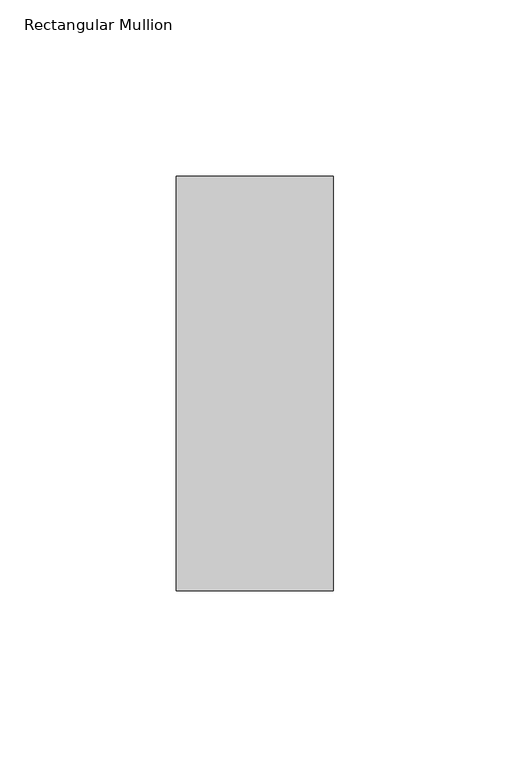
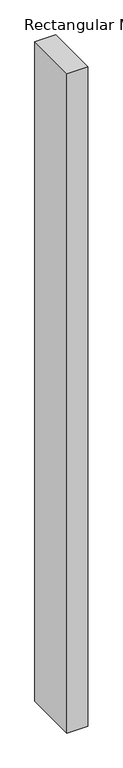
"""IFC4 building model written with IfcOpenShell, lengths in millimetres: member geometry, Rectangular Mullion."""

from ifc_helpers import new_model, si_unit, frame, origin, place, context, project, spatial, polyline, outline, extrude, source, transform, mapped, element, save


def rectangular_mullion_dbbccdd3(model_context):
    return source(origin(), model_context, "Body", "SweptSolid", [
        extrude(outline(polyline([(-44.45, 59.5583935), (0.0, 59.5583935), (0.0, -57.9084454), (-44.45, -57.9084454), (-44.45, 59.5583935)])), frame((0.0, 0.0, -1479.55), z_axis=(0.0, 0.0, 1.0), x_axis=(1.0, 0.0, 0.0)), (0.0, 0.0, 1.0), 1479.55),
    ])


if __name__ == "__main__":
    model = new_model("IFC4")
    model_context = context("Model", 3, world=origin())
    ifc_project = project(units=[si_unit("LENGTHUNIT", "METRE", prefix="MILLI")], contexts=[model_context])
    site = spatial("IfcSite", under=ifc_project)
    building = spatial("IfcBuilding", under=site)
    placement = place(None, origin())
    rectangular_mullion_shape = rectangular_mullion_dbbccdd3(model_context)
    element("IfcMember", 1, ObjectType="Rectangular Mullion", at=placement, inside=building, context=model_context, shape_type="MappedRepresentation", body=[
        mapped(rectangular_mullion_shape, transform((0.0, 0.0, 0.0), x_axis=(1.0, 0.0, 0.0), y_axis=(0.0, 1.0, 0.0), z_axis=(0.0, 0.0, 1.0))),
    ])
    save(model, "model.ifc")
